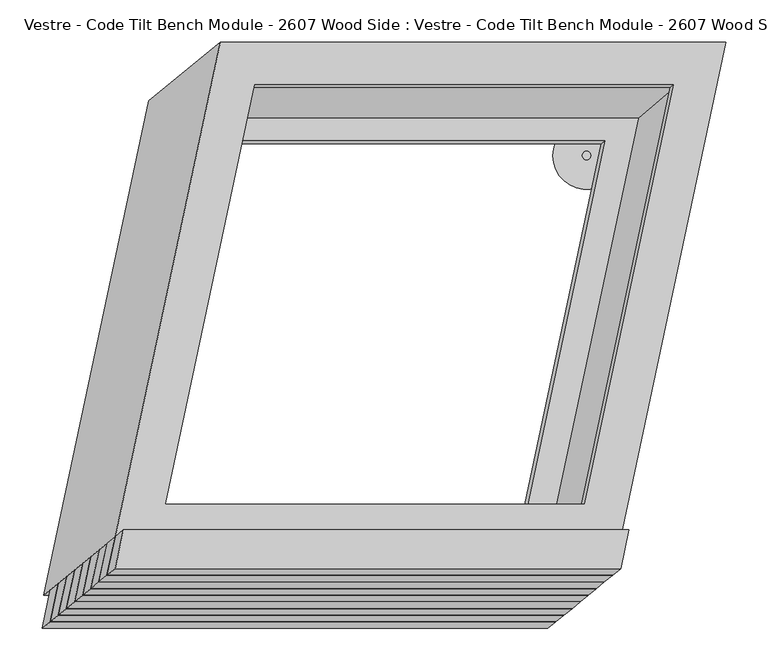
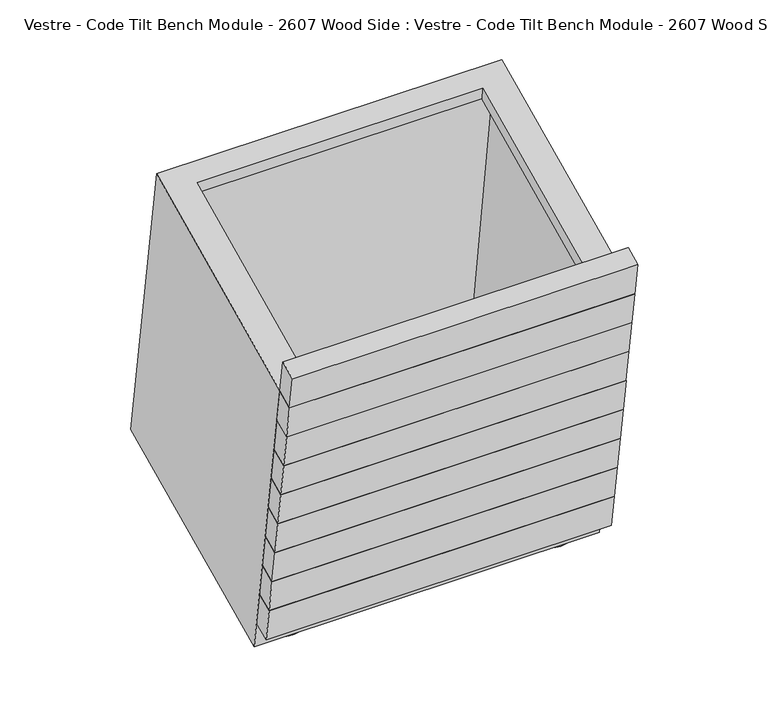
"""IFC4 building model written with IfcOpenShell, lengths in millimetres: furniture geometry, Vestre - Code Tilt Bench Module - 2607 Wood Side : Vestre - Code Tilt Bench Module - 2607 Wood Side."""

from ifc_helpers import new_model, si_unit, point, frame, frame_2d, origin, origin_with_axes, place, context, project, spatial, circle_curve, trimmed, segment, composite_curve, outline, extrude, faceted_brep, source, transform, mapped, element, save


def vestre_code_tilt_bench_module_2607_wood_side_vestre_code_a4338f3c(model_context):
    return source(origin(), model_context, "Body", "SolidModel", [
        faceted_brep([(215.751229, -269.8133464, 419.8134138), (225.5082596, -223.9101268, 419.8134138), (-374.4917404, -223.9101268, 419.8134138), (-384.248771, -269.8133464, 419.8134138), (206.1097925, -277.688061, 374.7462265), (-393.8902075, -277.688061, 374.7462265), (-384.133177, -231.7848414, 374.7462265), (215.866823, -231.7848414, 374.7462265)], [[[0, 1, 2, 3]], [[4, 5, 6, 7]], [[5, 4, 0, 3]], [[6, 5, 3, 2]], [[7, 6, 2, 1]], [[4, 7, 1, 0]]]),
        extrude(outline(composite_curve([segment(trimmed(circle_curve(frame_2d((184.9661106, 228.5027868)), 5.0), [point((189.9661106, 228.5027868))], [point((179.9661106, 228.5027868))], False, "CARTESIAN"), True, "CONTINUOUS"), segment(trimmed(circle_curve(frame_2d((184.9661106, 228.5027868)), 5.0), [point((179.9661106, 228.5027868))], [point((189.9661106, 228.5027868))], False, "CARTESIAN"), True, "CONTINUOUS")], self_intersect=False)), frame((0.0, 0.0, 5.0), z_axis=(0.0, 0.0, 1.0), x_axis=(1.0, 0.0, 0.0)), (0.0, 0.0, 1.0), 16.8677277),
        extrude(outline(composite_curve([segment(trimmed(circle_curve(frame_2d((-379.2374486, -228.4385142)), 5.0), [point((-374.2374486, -228.4385142))], [point((-384.2374486, -228.4385142))], False, "CARTESIAN"), True, "CONTINUOUS"), segment(trimmed(circle_curve(frame_2d((-379.2374486, -228.4385142)), 5.0), [point((-384.2374486, -228.4385142))], [point((-374.2374486, -228.4385142))], False, "CARTESIAN"), True, "CONTINUOUS")], self_intersect=False)), frame((0.0, 0.0, 5.0), z_axis=(0.0, 0.0, 1.0), x_axis=(1.0, 0.0, 0.0)), (0.0, 0.0, 1.0), 16.8677277),
        extrude(outline(composite_curve([segment(trimmed(circle_curve(frame_2d((87.8263213, -228.4385142)), 5.0), [point((92.8263213, -228.4385142))], [point((82.8263213, -228.4385142))], False, "CARTESIAN"), True, "CONTINUOUS"), segment(trimmed(circle_curve(frame_2d((87.8263213, -228.4385142)), 5.0), [point((82.8263213, -228.4385142))], [point((92.8263213, -228.4385142))], False, "CARTESIAN"), True, "CONTINUOUS")], self_intersect=False)), frame((0.0, 0.0, 5.0), z_axis=(0.0, 0.0, 1.0), x_axis=(1.0, 0.0, 0.0)), (0.0, 0.0, 1.0), 16.8677277),
        faceted_brep([(-249.744726, 362.9784336, 419.8134138), (-374.4917404, -223.9101268, 419.8134138), (225.5082596, -223.9101268, 419.8134138), (350.255274, 362.9784336, 419.8134138), (-208.6618234, 312.2208839, 419.8134138), (287.594671, 312.2208839, 419.8134138), (181.9894462, -184.6126361, 419.8134138), (-314.2670481, -184.6126361, 419.8134138), (-334.6932278, 293.4442802, 21.8677277), (265.3067722, 293.4442802, 21.8677277), (140.5597577, -293.4442802, 21.8677277), (-459.4402423, -293.4442802, 21.8677277), (202.6461691, 242.6867305, 21.8677277), (-293.6103253, 242.6867305, 21.8677277), (-397.172905, -244.5369002, 21.8677277), (99.0835894, -244.5369002, 21.8677277), (-334.09591, -231.7848414, 374.7462265), (171.9626845, -231.7848414, 374.7462265), (100.3471348, -284.7076416, 71.8677277), (-405.7114596, -284.7076416, 71.8677277), (-212.211096, 309.3156453, 403.1866612), (284.0453984, 309.3156453, 403.1866612), (206.7306515, 246.0300623, 41.0016985), (-289.5258429, 246.0300623, 41.0016985), (178.5255183, -187.1163595, 403.1866612), (103.0698576, -241.6556298, 41.0016985), (-317.730976, -187.1163595, 403.1866612), (-393.1866367, -241.6556298, 41.0016985), (-330.8611911, -216.5666856, 374.7462265), (175.1974034, -216.5666856, 374.7462265), (104.5597422, -264.8888821, 71.8677277), (-401.4988523, -264.8888821, 71.8677277), (-224.6981062, 332.9707916, 403.1866612), (317.142409, 332.9707916, 403.1866612), (201.2990829, -212.0292084, 403.1866612), (-340.5414324, -212.0292084, 403.1866612), (-322.5535579, 272.8781405, 41.0016985), (-437.9061944, -269.8133464, 41.0016985), (131.2549878, -269.8133464, 41.0016985), (246.6076242, 272.8781405, 41.0016985)], [[[0, 1, 2, 3], [4, 5, 6, 7]], [[8, 9, 10, 11], [12, 13, 14, 15]], [[0, 3, 9, 8]], [[3, 2, 10, 9]], [[2, 1, 11, 10], [16, 17, 18, 19]], [[1, 0, 8, 11]], [[5, 4, 20, 21]], [[13, 12, 22, 23]], [[6, 5, 21, 24]], [[12, 15, 25, 22]], [[7, 6, 24, 26]], [[15, 14, 27, 25]], [[4, 7, 26, 20]], [[14, 13, 23, 27]], [[17, 16, 28, 29]], [[19, 18, 30, 31]], [[18, 17, 29, 30]], [[16, 19, 31, 28]], [[32, 33, 34, 35], [21, 20, 26, 24]], [[36, 37, 38, 39], [23, 22, 25, 27]], [[33, 32, 36, 39]], [[34, 33, 39, 38]], [[35, 34, 38, 37], [29, 28, 31, 30]], [[32, 35, 37, 36]]]),
        extrude(outline(composite_curve([segment(trimmed(circle_curve(frame_2d((-282.0328456, 228.5027868)), 5.0), [point((-287.0328456, 228.5027868))], [point((-277.0328456, 228.5027868))], False, "CARTESIAN"), True, "CONTINUOUS"), segment(trimmed(circle_curve(frame_2d((-282.0328456, 228.5027868)), 5.0), [point((-277.0328456, 228.5027868))], [point((-287.0328456, 228.5027868))], False, "CARTESIAN"), True, "CONTINUOUS")], self_intersect=False)), frame((0.0, 0.0, 5.0), z_axis=(0.0, 0.0, 1.0), x_axis=(1.0, 0.0, 0.0)), (0.0, 0.0, 1.0), 16.8677277),
        faceted_brep([(148.4085458, -324.9363487, 104.3431028), (158.1655763, -279.0331292, 104.3431028), (-441.8344237, -279.0331292, 104.3431028), (-451.5914542, -324.9363487, 104.3431028), (138.7671092, -332.8110633, 59.2759155), (-461.2328908, -332.8110633, 59.2759155), (-451.4758603, -286.9078438, 59.2759155), (148.5241397, -286.9078438, 59.2759155)], [[[0, 1, 2, 3]], [[4, 5, 6, 7]], [[5, 4, 0, 3]], [[6, 5, 3, 2]], [[7, 6, 2, 1]], [[4, 7, 1, 0]]]),
        faceted_brep([(158.0499823, -317.0616341, 149.4102901), (167.8070128, -271.1584146, 149.4102901), (-432.1929872, -271.1584146, 149.4102901), (-441.9500177, -317.0616341, 149.4102901), (148.4085458, -324.9363487, 104.3431028), (-451.5914542, -324.9363487, 104.3431028), (-441.8344237, -279.0331292, 104.3431028), (158.1655763, -279.0331292, 104.3431028)], [[[0, 1, 2, 3]], [[4, 5, 6, 7]], [[5, 4, 0, 3]], [[6, 5, 3, 2]], [[7, 6, 2, 1]], [[4, 7, 1, 0]]]),
        faceted_brep([(167.6703657, -309.1869195, 194.4774774), (177.4273962, -263.2836999, 194.4774774), (-422.5726038, -263.2836999, 194.4774774), (-432.3296343, -309.1869195, 194.4774774), (158.0289291, -317.0616341, 149.4102901), (-441.9710709, -317.0616341, 149.4102901), (-432.2140404, -271.1584146, 149.4102901), (167.7859596, -271.1584146, 149.4102901)], [[[0, 1, 2, 3]], [[4, 5, 6, 7]], [[5, 4, 0, 3]], [[6, 5, 3, 2]], [[7, 6, 2, 1]], [[4, 7, 1, 0]]]),
        faceted_brep([(177.290749, -301.3122048, 239.5446646), (187.0477795, -255.4089853, 239.5446646), (-412.9522205, -255.4089853, 239.5446646), (-422.709251, -301.3122048, 239.5446646), (167.6493124, -309.1869195, 194.4774774), (-432.3506876, -309.1869195, 194.4774774), (-422.5936571, -263.2836999, 194.4774774), (177.4063429, -263.2836999, 194.4774774)], [[[0, 1, 2, 3]], [[4, 5, 6, 7]], [[5, 4, 0, 3]], [[6, 5, 3, 2]], [[7, 6, 2, 1]], [[4, 7, 1, 0]]]),
        faceted_brep([(186.9111323, -293.4374902, 284.6118519), (196.6681628, -247.5342707, 284.6118519), (-403.3318372, -247.5342707, 284.6118519), (-413.0888677, -293.4374902, 284.6118519), (177.2696957, -301.3122048, 239.5446646), (-422.7303043, -301.3122048, 239.5446646), (-412.9732738, -255.4089853, 239.5446646), (187.0267262, -255.4089853, 239.5446646)], [[[0, 1, 2, 3]], [[4, 5, 6, 7]], [[5, 4, 0, 3]], [[6, 5, 3, 2]], [[7, 6, 2, 1]], [[4, 7, 1, 0]]]),
        faceted_brep([(196.5315156, -285.5627756, 329.6790392), (206.2885462, -239.6595561, 329.6790392), (-393.7114538, -239.6595561, 329.6790392), (-403.4684844, -285.5627756, 329.6790392), (186.8900791, -293.4374902, 284.6118519), (-413.1099209, -293.4374902, 284.6118519), (-403.3528904, -247.5342707, 284.6118519), (196.6471096, -247.5342707, 284.6118519)], [[[0, 1, 2, 3]], [[4, 5, 6, 7]], [[5, 4, 0, 3]], [[6, 5, 3, 2]], [[7, 6, 2, 1]], [[4, 7, 1, 0]]]),
        faceted_brep([(206.1097925, -277.688061, 374.7462265), (215.866823, -231.7848414, 374.7462265), (-384.133177, -231.7848414, 374.7462265), (-393.8902075, -277.688061, 374.7462265), (196.4683559, -285.5627756, 329.6790392), (-403.5316441, -285.5627756, 329.6790392), (-393.7746136, -239.6595561, 329.6790392), (206.2253864, -239.6595561, 329.6790392)], [[[0, 1, 2, 3]], [[4, 5, 6, 7]], [[5, 4, 0, 3]], [[6, 5, 3, 2]], [[7, 6, 2, 1]], [[4, 7, 1, 0]]]),
        faceted_brep([(225.3971002, -261.9177688, 465.0), (235.1533674, -216.0181403, 465.0), (-364.8466326, -216.0181403, 465.0), (-374.6028998, -261.9177688, 465.0), (215.751229, -269.8133464, 419.8134138), (-384.248771, -269.8133464, 419.8134138), (-374.4917404, -223.9101268, 419.8134138), (225.5082596, -223.9101268, 419.8134138)], [[[0, 1, 2, 3]], [[4, 5, 6, 7]], [[5, 4, 0, 3]], [[6, 5, 3, 2]], [[7, 6, 2, 1]], [[4, 7, 1, 0]]]),
        extrude(outline(composite_curve([segment(trimmed(circle_curve(frame_2d((184.9104706, 228.2596966)), 40.0), [point((224.9104706, 228.2596966))], [point((144.9104706, 228.2596966))], False, "CARTESIAN"), True, "CONTINUOUS"), segment(trimmed(circle_curve(frame_2d((184.9104706, 228.2596966)), 40.0), [point((144.9104706, 228.2596966))], [point((224.9104706, 228.2596966))], False, "CARTESIAN"), True, "CONTINUOUS")], self_intersect=False)), origin_with_axes(), (0.0, 0.0, 1.0), 5.0),
        extrude(outline(composite_curve([segment(trimmed(circle_curve(frame_2d((-379.2930885, -228.6816045)), 40.0), [point((-339.2930885, -228.6816045))], [point((-419.2930885, -228.6816045))], False, "CARTESIAN"), True, "CONTINUOUS"), segment(trimmed(circle_curve(frame_2d((-379.2930885, -228.6816045)), 40.0), [point((-419.2930885, -228.6816045))], [point((-339.2930885, -228.6816045))], False, "CARTESIAN"), True, "CONTINUOUS")], self_intersect=False)), origin_with_axes(), (0.0, 0.0, 1.0), 5.0),
        extrude(outline(composite_curve([segment(trimmed(circle_curve(frame_2d((87.7706813, -228.6816045)), 40.0), [point((127.7706813, -228.6816045))], [point((47.7706813, -228.6816045))], False, "CARTESIAN"), True, "CONTINUOUS"), segment(trimmed(circle_curve(frame_2d((87.7706813, -228.6816045)), 40.0), [point((47.7706813, -228.6816045))], [point((127.7706813, -228.6816045))], False, "CARTESIAN"), True, "CONTINUOUS")], self_intersect=False)), origin_with_axes(), (0.0, 0.0, 1.0), 5.0),
        extrude(outline(composite_curve([segment(trimmed(circle_curve(frame_2d((-281.9772057, 228.2596966)), 40.0), [point((-321.9772057, 228.2596966))], [point((-241.9772057, 228.2596966))], False, "CARTESIAN"), True, "CONTINUOUS"), segment(trimmed(circle_curve(frame_2d((-281.9772057, 228.2596966)), 40.0), [point((-241.9772057, 228.2596966))], [point((-321.9772057, 228.2596966))], False, "CARTESIAN"), True, "CONTINUOUS")], self_intersect=False)), origin_with_axes(), (0.0, 0.0, 1.0), 5.0),
    ])


if __name__ == "__main__":
    model = new_model("IFC4")
    model_context = context("Model", 3, world=origin())
    ifc_project = project(units=[si_unit("LENGTHUNIT", "METRE", prefix="MILLI")], contexts=[model_context])
    site = spatial("IfcSite", under=ifc_project)
    building = spatial("IfcBuilding", under=site)
    placement = place(None, origin())
    vestre_code_tilt_bench_module_2607_wood_side_vestre_code_shape = vestre_code_tilt_bench_module_2607_wood_side_vestre_code_a4338f3c(model_context)
    element("IfcFurniture", 1, ObjectType="Vestre - Code Tilt Bench Module - 2607 Wood Side : Vestre - Code Tilt Bench Module - 2607 Wood Side", at=placement, inside=building, context=model_context, shape_type="MappedRepresentation", body=[
        mapped(vestre_code_tilt_bench_module_2607_wood_side_vestre_code_shape, transform((0.0, 0.0, 0.0), x_axis=(1.0, 0.0, 0.0), y_axis=(0.0, 1.0, 0.0), z_axis=(0.0, 0.0, 1.0))),
    ])
    save(model, "model.ifc")
